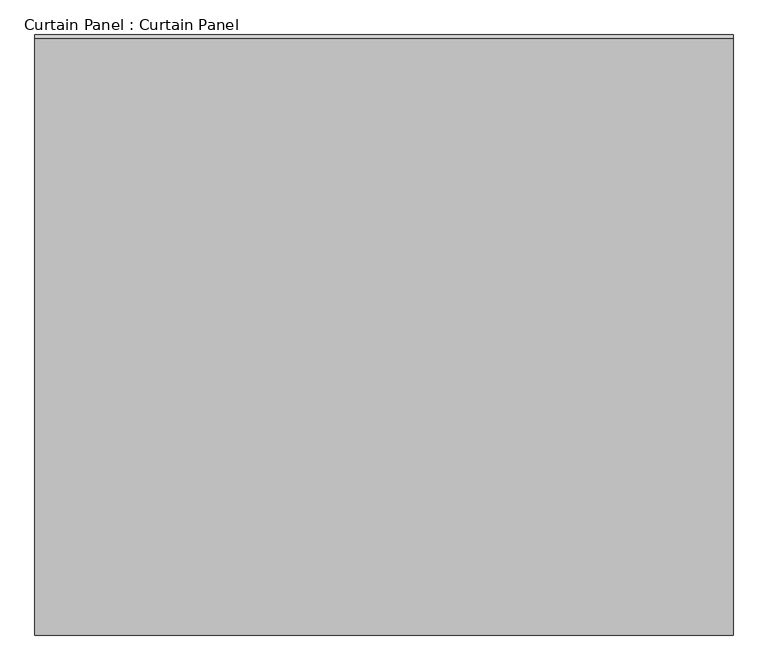
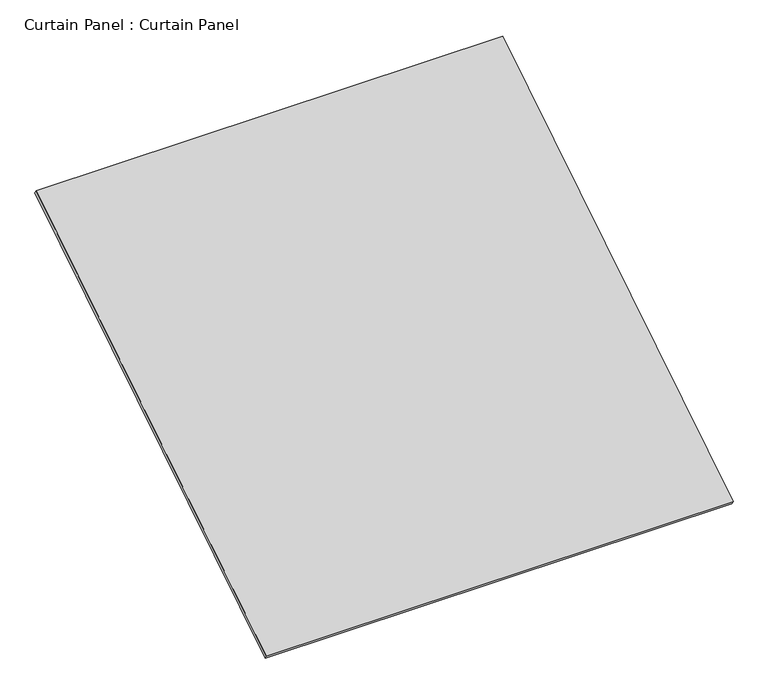
"""IFC4 building model written with IfcOpenShell, lengths in millimetres: plate geometry, Curtain Panel : Curtain Panel."""

from ifc_helpers import new_model, si_unit, frame, origin, place, context, project, spatial, polyline, outline, extrude, source, transform, mapped, element, save


def curtain_panel_curtain_panel_bc79e00e(model_context):
    return source(origin(), model_context, "Body", "SweptSolid", [
        extrude(outline(polyline([(-63.5, 0.0), (-63.5, -3013.075), (-3048.0, -3013.075), (-3048.0, 0.0), (-63.5, 0.0)])), frame((-123766.6430895, -1344.8078147, 8803.1977221), z_axis=(0.0, -0.5318918435658209, 0.8468122972348432), x_axis=(-1.0, 0.0, 0.0)), (0.0, 0.0, 1.0), 25.4),
    ])


if __name__ == "__main__":
    model = new_model("IFC4")
    model_context = context("Model", 3, world=origin())
    ifc_project = project(units=[si_unit("LENGTHUNIT", "METRE", prefix="MILLI")], contexts=[model_context])
    site = spatial("IfcSite", under=ifc_project)
    building = spatial("IfcBuilding", under=site)
    placement = place(None, origin())
    curtain_panel_curtain_panel_shape = curtain_panel_curtain_panel_bc79e00e(model_context)
    element("IfcPlate", 1, ObjectType="Curtain Panel : Curtain Panel", at=placement, inside=building, context=model_context, shape_type="MappedRepresentation", body=[
        mapped(curtain_panel_curtain_panel_shape, transform((0.0, 0.0, 0.0), x_axis=(1.0, 0.0, 0.0), y_axis=(0.0, 1.0, 0.0), z_axis=(0.0, 0.0, 1.0))),
    ])
    save(model, "model.ifc")
